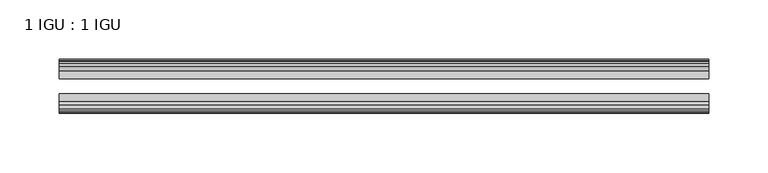
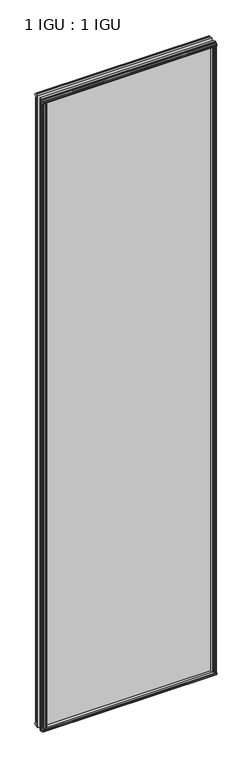
"""IFC4 building model written with IfcOpenShell, lengths in millimetres: plate geometry, 1 IGU : 1 IGU."""

from ifc_helpers import new_model, si_unit, frame, origin, origin_with_axes, place, context, project, spatial, polyline, outline, extrude, source, transform, mapped, element, save


def plate_1_igu_1_igu_b8e731bf(model_context):
    return source(origin(), model_context, "Body", "SweptSolid", [
        extrude(outline(polyline([(258.7629858, -19.5460937), (260.8682629, -13.1960937), (266.0754573, -13.1960937), (266.4564573, -10.8158968), (265.0409282, -11.27583), (265.0409282, -10.4746158), (267.2184573, -9.7670937), (269.3959863, -10.4746158), (269.3959863, -11.27583), (267.9804573, -10.8158968), (268.3614573, -13.1960937), (272.8064573, -13.1960937), (272.8064573, -16.1419073), (270.5933798, -19.5460937), (258.7629858, -19.5460937)])), origin_with_axes(), (0.0, 0.0, 1.0), 2070.1),
        extrude(outline(polyline([(-258.7629858, -19.5460937), (-270.5933798, -19.5460937), (-272.8064573, -16.1419073), (-272.8064573, -13.1960937), (-268.3614573, -13.1960937), (-267.9804573, -10.8158968), (-269.3959863, -11.27583), (-269.3959863, -10.4746158), (-267.2184573, -9.7670937), (-265.0409282, -10.4746158), (-265.0409282, -11.27583), (-266.4564573, -10.8158968), (-266.0754573, -13.1960937), (-260.8682629, -13.1960937), (-258.7629858, -19.5460937)])), origin_with_axes(), (0.0, 0.0, 1.0), 2070.1),
        extrude(outline(polyline([(-16.1419073, -12.4576852), (-19.5460937, -10.2446077), (-19.5460937, 1.5857863), (-13.1960937, -0.5194908), (-13.1960937, -5.7266852), (-10.8158968, -6.1076852), (-11.27583, -4.6921562), (-10.4746158, -4.6921562), (-9.7670937, -6.8696852), (-10.4746158, -9.0472143), (-11.27583, -9.0472143), (-10.8158968, -7.6316852), (-13.1960937, -8.0126852), (-13.1960937, -12.4576852), (-16.1419073, -12.4576852)])), frame((-273.0487721, 0.0, 0.0), z_axis=(1.0, 0.0, 0.0), x_axis=(0.0, 1.0, 0.0)), (0.0, 0.0, 1.0), 546.0975441),
        extrude(outline(polyline([(-48.3502802, -11.938), (-51.2960937, -11.938), (-51.2960937, -7.493), (-53.6762907, -7.112), (-53.2163575, -8.5275291), (-54.0175717, -8.5275291), (-54.7250937, -6.35), (-54.0175717, -4.172471), (-53.2163575, -4.172471), (-53.6762907, -5.588), (-51.2960937, -5.207), (-51.2960937, 0.0001944), (-44.9460937, 2.1054715), (-44.9460937, -9.7249225), (-48.3502802, -11.938)])), frame((-273.0487721, 0.0, 0.0), z_axis=(1.0, 0.0, 0.0), x_axis=(0.0, 1.0, 0.0)), (0.0, 0.0, 1.0), 546.0975441),
        extrude(outline(polyline([(-16.1028367, 2082.5576852), (-13.1960937, 2082.5576852), (-13.1960937, 2078.1126852), (-10.8158968, 2077.7316852), (-11.27583, 2079.1472143), (-10.4746158, 2079.1472143), (-9.7670937, 2076.9696852), (-10.4746158, 2074.7921562), (-11.27583, 2074.7921562), (-10.8158968, 2076.2076852), (-13.1960937, 2075.8266852), (-13.1960937, 2070.5940908), (-19.5460937, 2068.4888137), (-19.5460937, 2080.3192077), (-16.1028367, 2082.5576852)])), frame((-273.0487721, 0.0, 0.0), z_axis=(1.0, 0.0, 0.0), x_axis=(0.0, 1.0, 0.0)), (0.0, 0.0, 1.0), 546.0975441),
        extrude(outline(polyline([(-48.3893508, 2082.0126), (-44.9460937, 2079.7741225), (-44.9460937, 2067.9437285), (-51.2960937, 2070.0490056), (-51.2960937, 2075.2816), (-53.6762907, 2075.6626), (-53.2163575, 2074.2470709), (-54.0175717, 2074.2470709), (-54.7250938, 2076.4246), (-54.0175717, 2078.602129), (-53.2163575, 2078.602129), (-53.6762907, 2077.1866), (-51.2960937, 2077.5676), (-51.2960937, 2082.0126), (-48.3893508, 2082.0126)])), frame((-273.0487721, 0.0, 0.0), z_axis=(1.0, 0.0, 0.0), x_axis=(0.0, 1.0, 0.0)), (0.0, 0.0, 1.0), 546.0975441),
        extrude(outline(polyline([(-258.2433006, -44.9460938), (-260.3485776, -51.2960938), (-265.5557721, -51.2960938), (-265.9367721, -53.6762907), (-264.521243, -53.2163575), (-264.521243, -54.0175717), (-266.6987721, -54.7250938), (-268.8763011, -54.0175717), (-268.8763011, -53.2163575), (-267.4607721, -53.6762907), (-267.8417721, -51.2960938), (-272.2867721, -51.2960938), (-272.2867721, -48.3502802), (-270.0736946, -44.9460938), (-258.2433006, -44.9460938)])), origin_with_axes(), (0.0, 0.0, 1.0), 2070.1),
        extrude(outline(polyline([(258.2433006, -44.9460938), (270.0736946, -44.9460938), (272.2867721, -48.3502802), (272.2867721, -51.2960938), (267.8417721, -51.2960938), (267.4607721, -53.6762907), (268.8763011, -53.2163575), (268.8763011, -54.0175717), (266.6987721, -54.7250938), (264.521243, -54.0175717), (264.521243, -53.2163575), (265.9367721, -53.6762907), (265.5557721, -51.2960938), (260.3485776, -51.2960938), (258.2433006, -44.9460938)])), origin_with_axes(), (0.0, 0.0, 1.0), 2070.1),
        extrude(outline(polyline([(273.0487721, -19.5460937), (273.0487721, -25.8337453), (-273.0487721, -25.8337453), (-273.0487721, -19.5460937), (273.0487721, -19.5460937)])), frame((0.0, 0.0, -12.7), z_axis=(0.0, 0.0, 1.0), x_axis=(1.0, 0.0, 0.0)), (0.0, 0.0, 1.0), 2095.4872998),
        extrude(outline(polyline([(-273.0487721, -44.9460937), (-273.0487721, -38.6468938), (273.0487721, -38.6468938), (273.0487721, -44.9460937), (-273.0487721, -44.9460937)])), frame((0.0, 0.0, -12.7), z_axis=(0.0, 0.0, 1.0), x_axis=(1.0, 0.0, 0.0)), (0.0, 0.0, 1.0), 2095.4872998),
    ])


if __name__ == "__main__":
    model = new_model("IFC4")
    model_context = context("Model", 3, world=origin())
    ifc_project = project(units=[si_unit("LENGTHUNIT", "METRE", prefix="MILLI")], contexts=[model_context])
    site = spatial("IfcSite", under=ifc_project)
    building = spatial("IfcBuilding", under=site)
    placement = place(None, origin())
    plate_1_igu_1_igu_shape = plate_1_igu_1_igu_b8e731bf(model_context)
    element("IfcPlate", 1, ObjectType="1 IGU : 1 IGU", at=placement, inside=building, context=model_context, shape_type="MappedRepresentation", body=[
        mapped(plate_1_igu_1_igu_shape, transform((0.0, 0.0, 0.0), x_axis=(1.0, 0.0, 0.0), y_axis=(0.0, 1.0, 0.0), z_axis=(0.0, 0.0, 1.0))),
    ])
    save(model, "model.ifc")
